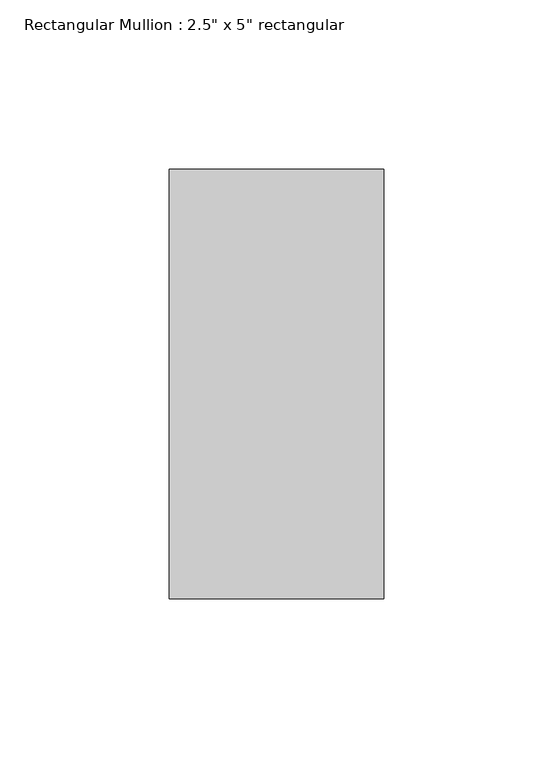
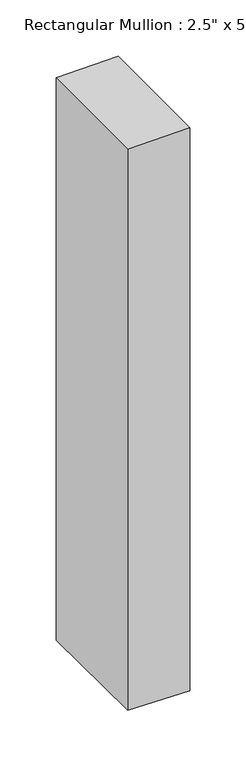
"""IFC4 building model written with IfcOpenShell, lengths in millimetres: member geometry."""

from ifc_helpers import new_model, si_unit, origin, place, context, project, spatial, faceted_brep, source, transform, mapped, element, save


def member_b906976d(model_context):
    return source(origin(), model_context, "Body", "Brep", [
        faceted_brep([(-63.5, 63.5, -0.5131504), (0.0, 63.5, 0.389324), (0.0, 63.5, -611.6525724), (-63.5, 63.5, -610.86291), (-63.5, -63.5, -1.2917985), (-63.5, -63.5, -610.0872882), (0.0, -63.5, -0.389324), (0.0, -63.5, -610.8769506)], [[[0, 1, 2, 3]], [[4, 0, 3, 5]], [[6, 4, 5, 7]], [[1, 6, 7, 2]], [[1, 0, 4, 6]], [[2, 7, 5, 3]]]),
    ])


if __name__ == "__main__":
    model = new_model("IFC4")
    model_context = context("Model", 3, world=origin())
    ifc_project = project(units=[si_unit("LENGTHUNIT", "METRE", prefix="MILLI")], contexts=[model_context])
    site = spatial("IfcSite", under=ifc_project)
    building = spatial("IfcBuilding", under=site)
    placement = place(None, origin())
    member_shape = member_b906976d(model_context)
    element("IfcMember", 1, ObjectType="Rectangular Mullion : 2.5\" x 5\" rectangular", at=placement, inside=building, context=model_context, shape_type="MappedRepresentation", body=[
        mapped(member_shape, transform((0.0, 0.0, 0.0), x_axis=(1.0, 0.0, 0.0), y_axis=(0.0, 1.0, 0.0), z_axis=(0.0, 0.0, 1.0))),
    ])
    save(model, "model.ifc")
